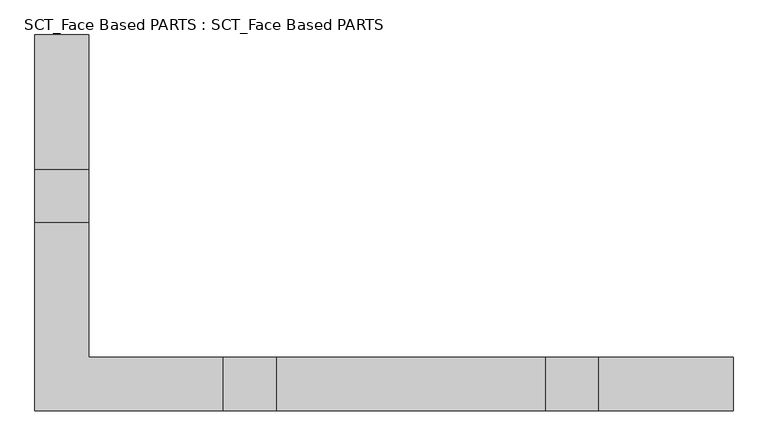
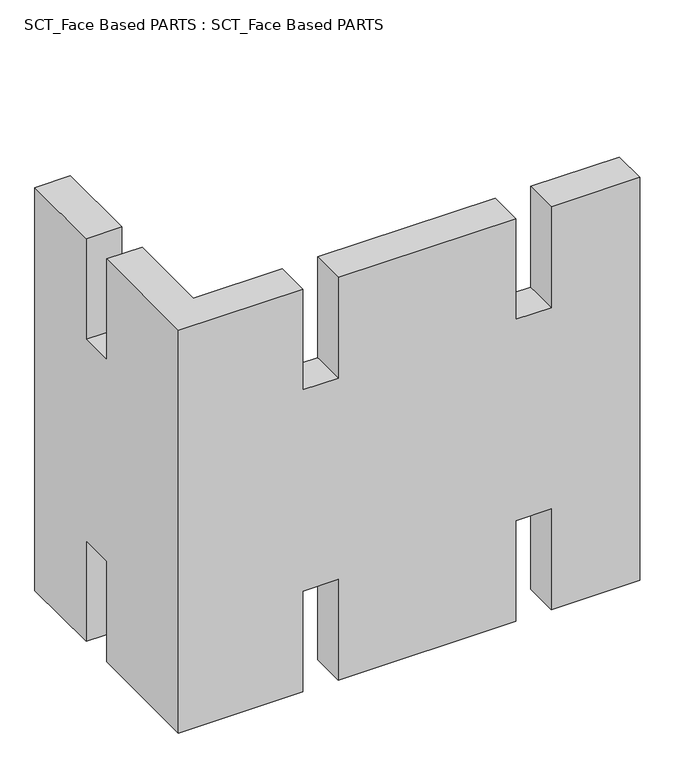
"""IFC4 building model written with IfcOpenShell, lengths in millimetres: proxy geometry, SCT_Face Based PARTS : SCT_Face Based PARTS."""

from ifc_helpers import new_model, si_unit, origin, place, context, project, spatial, faceted_brep, source, transform, mapped, element, save


def sct_face_based_parts_sct_face_based_parts_deb91a35(model_context):
    return source(origin(), model_context, "Body", "Brep", [
        faceted_brep([(1200.0, -450.0, 900.0), (1200.0, -350.0, 900.0), (950.0, -350.0, 900.0), (950.0, -450.0, 900.0), (0.0, 250.0, 900.0), (-100.0, 250.0, 900.0), (-100.0, 0.0, 900.0), (0.0, 0.0, 900.0), (-100.0, -450.0, 900.0), (250.0, -450.0, 900.0), (250.0, -350.0, 900.0), (0.0, -350.0, 900.0), (0.0, -100.0, 900.0), (-100.0, -100.0, 900.0), (350.0, -450.0, 900.0), (850.0, -450.0, 900.0), (850.0, -350.0, 900.0), (350.0, -350.0, 900.0), (-100.0, 250.0, -300.0), (0.0, 250.0, -300.0), (0.0, 0.0, -300.0), (-100.0, 0.0, -300.0), (1200.0, -350.0, -300.0), (1200.0, -450.0, -300.0), (950.0, -450.0, -300.0), (950.0, -350.0, -300.0), (-100.0, -450.0, -300.0), (-100.0, -100.0, -300.0), (0.0, -100.0, -300.0), (0.0, -350.0, -300.0), (250.0, -350.0, -300.0), (250.0, -450.0, -300.0), (350.0, -350.0, -300.0), (850.0, -350.0, -300.0), (850.0, -450.0, -300.0), (350.0, -450.0, -300.0), (250.0, -450.0, 0.0), (350.0, -450.0, 0.0), (850.0, -450.0, 0.0), (950.0, -450.0, 0.0), (950.0, -450.0, 600.0), (850.0, -450.0, 600.0), (350.0, -450.0, 600.0), (250.0, -450.0, 600.0), (950.0, -350.0, 0.0), (850.0, -350.0, 0.0), (350.0, -350.0, 0.0), (250.0, -350.0, 0.0), (250.0, -350.0, 600.0), (350.0, -350.0, 600.0), (850.0, -350.0, 600.0), (950.0, -350.0, 600.0), (0.0, -100.0, 0.0), (0.0, 0.0, 0.0), (0.0, 0.0, 600.0), (0.0, -100.0, 600.0), (-100.0, -100.0, 600.0), (-100.0, 0.0, 600.0), (-100.0, 0.0, 0.0), (-100.0, -100.0, 0.0)], [[[0, 1, 2, 3]], [[4, 5, 6, 7]], [[8, 9, 10, 11, 12, 13]], [[14, 15, 16, 17]], [[18, 19, 20, 21]], [[22, 23, 24, 25]], [[26, 27, 28, 29, 30, 31]], [[32, 33, 34, 35]], [[8, 26, 31, 36, 37, 35, 34, 38, 39, 24, 23, 0, 3, 40, 41, 15, 14, 42, 43, 9]], [[1, 0, 23, 22]], [[1, 22, 25, 44, 45, 33, 32, 46, 47, 30, 29, 11, 10, 48, 49, 17, 16, 50, 51, 2]], [[11, 29, 28, 52, 53, 20, 19, 4, 7, 54, 55, 12]], [[5, 4, 19, 18]], [[26, 8, 13, 56, 57, 6, 5, 18, 21, 58, 59, 27]], [[54, 57, 56, 55]], [[42, 49, 48, 43]], [[40, 51, 50, 41]], [[57, 54, 7, 6]], [[55, 56, 13, 12]], [[49, 42, 14, 17]], [[43, 48, 10, 9]], [[51, 40, 3, 2]], [[41, 50, 16, 15]], [[52, 59, 58, 53]], [[36, 47, 46, 37]], [[38, 45, 44, 39]], [[53, 58, 21, 20]], [[59, 52, 28, 27]], [[37, 46, 32, 35]], [[47, 36, 31, 30]], [[39, 44, 25, 24]], [[45, 38, 34, 33]]]),
    ])


if __name__ == "__main__":
    model = new_model("IFC4")
    model_context = context("Model", 3, world=origin())
    ifc_project = project(units=[si_unit("LENGTHUNIT", "METRE", prefix="MILLI")], contexts=[model_context])
    site = spatial("IfcSite", under=ifc_project)
    building = spatial("IfcBuilding", under=site)
    placement = place(None, origin())
    sct_face_based_parts_sct_face_based_parts_shape = sct_face_based_parts_sct_face_based_parts_deb91a35(model_context)
    element("IfcBuildingElementProxy", 1, Name="SCT_Face Based PARTS : SCT_Face Based PARTS", ObjectType="SCT_Face Based PARTS : SCT_Face Based PARTS", at=placement, inside=building, context=model_context, shape_type="MappedRepresentation", body=[
        mapped(sct_face_based_parts_sct_face_based_parts_shape, transform((0.0, 0.0, 0.0), x_axis=(1.0, 0.0, 0.0), y_axis=(0.0, 1.0, 0.0), z_axis=(0.0, 0.0, 1.0))),
    ])
    save(model, "model.ifc")
